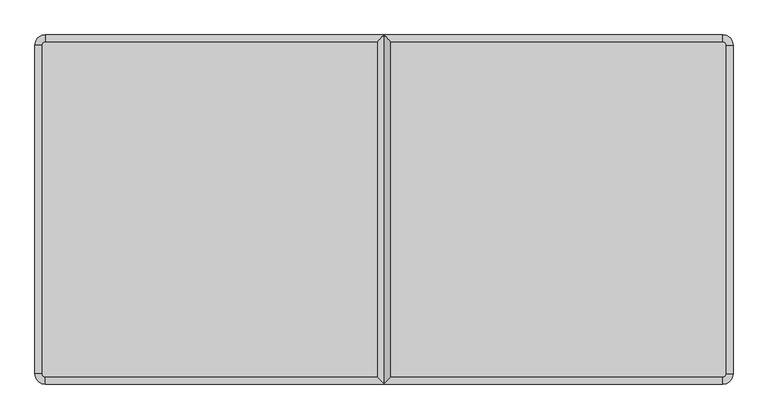
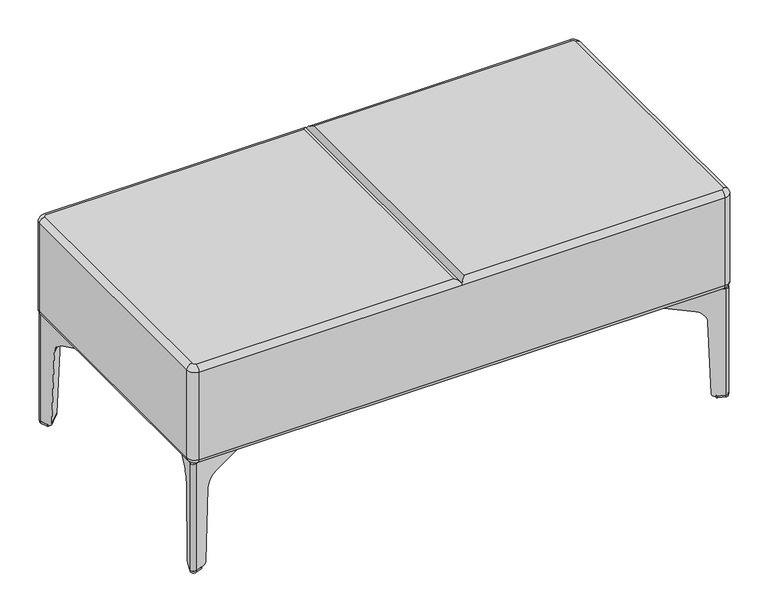
"""IFC4 building model written with IfcOpenShell, lengths in millimetres: furniture geometry."""

from ifc_helpers import new_model, si_unit, point, frame, frame_2d, origin, origin_with_axes, place, context, project, spatial, polyline, circle_curve, ellipse_curve, trimmed, segment, composite_curve, outline, extrude, source, transform, mapped, element, save
from ifc_brep_helpers import plane_surface, cylinder_surface, revolved_surface, advanced_brep


def furniture_e2cc7641(model_context):
    return source(origin(), model_context, "Body", "SolidModel", [
        extrude(outline(composite_curve([segment(trimmed(circle_curve(frame_2d((499.1606328, 141.6474047)), 2.0052989), [point((501.0451034, 140.9618435))], [point((497.7426723, 140.2294442))], False, "CARTESIAN"), True, "CONTINUOUS"), segment(polyline([(497.7426723, 140.2294442), (485.2256595, 152.746457)]), True, "CONTINUOUS"), segment(trimmed(circle_curve(frame_2d((486.6390732, 154.1598707)), 1.9988689), [point((485.2256595, 152.746457))], [point((485.9554787, 156.0382145))], False, "CARTESIAN"), True, "CONTINUOUS"), segment(polyline([(485.9554787, 156.0382145), (498.5811605, 160.6331383)]), True, "CONTINUOUS"), segment(trimmed(circle_curve(frame_2d((500.463369, 155.4613082)), 5.5036838), [point((498.5811605, 160.6331383))], [point((505.6354311, 153.5797375))], False, "CARTESIAN"), True, "CONTINUOUS"), segment(polyline([(505.6354311, 153.5797375), (501.0451034, 140.9618435)]), True, "CONTINUOUS")], self_intersect=False)), origin_with_axes(), (0.0, 0.0, 1.0), 3.9994646),
        advanced_brep(
        [(345.5633423, 105.4713683, 218.9993381), (343.7378691, 97.2373568, 218.9993381), (442.2415059, -1.26628, 218.9993381), (450.4755346, 0.5592401, 218.9993381), (484.470896, 93.9661094, 218.9993381), (484.470896, 134.468198, 218.9993381), (479.470896, 139.468198, 218.9993381), (438.9713365, 139.468198, 218.9993381), (450.4755346, 0.5592401, 204.9594882), (489.1986842, 106.956349, 175.5349617), (496.0266022, 125.7169804, 152.3759067), (497.9084862, 130.887712, 9.5682767), (500.084607, 136.8668993, 3.9994647), (506.10897, 153.4196543, 3.9994647), (506.10897, 153.4196543, 215.9993706), (484.470896, 93.9661094, 215.9993706), (498.4224767, 161.1060707, 3.9994647), (498.4224767, 161.1060707, 215.9993706), (345.5633423, 105.4713683, 204.9595012), (438.9713365, 139.468198, 215.9993706), (481.8699157, 155.0815906, 3.9994647), (475.8907781, 152.9054201, 9.5682767), (470.7200894, 151.0234931, 152.3759067), (451.959614, 144.1954192, 175.5349617), (343.7378691, 97.2373568, 206.9991584), (442.2415059, -1.26628, 206.9991584), (479.470896, 139.468198, 215.9993706), (484.470896, 134.468198, 215.9993706)],
        [
            (0, 1, circle_curve(frame((347.2734031, 100.7728907, 218.9993381), z_axis=(0.0, 0.0, 1.0), x_axis=(-1.0000000000000009, 0.0, 0.0)), 5.0)),
            (1, 2),
            (2, 3, circle_curve(frame((445.7770399, 2.2692539, 218.9993381), z_axis=(0.0, 0.0, 1.0), x_axis=(-1.0000000000000009, 0.0, 0.0)), 5.0)),
            (3, 4),
            (4, 5),
            (5, 6, circle_curve(frame((479.470896, 134.468198, 218.9993381), z_axis=(0.0, 0.0, 1.0), x_axis=(-1.0000000000000009, 0.0, 0.0)), 5.0)),
            (6, 7),
            (7, 0),
            (3, 8),
            (8, 9),
            (9, 10, ellipse_curve(frame((486.5983108, 99.8114702, 151.5034193), z_axis=(-0.9396989536617917, 0.3420027433909469, 0.0), x_axis=(-0.34200274339094694, -0.9396989536617917, 0.0)), 27.5846862, 25.0)),
            (10, 11),
            (11, 12, ellipse_curve(frame((500.084607, 136.8668993, 9.7696534), z_axis=(0.9396989536617917, -0.3420027433909469, 0.0), x_axis=(0.34200274339094694, 0.9396989536617917, 0.0)), 6.3667538, 5.7701887)),
            (12, 13),
            (13, 14),
            (14, 15),
            (15, 4),
            (13, 16, circle_curve(frame((500.4735427, 155.4706639, 3.9994647), z_axis=(0.0, 0.0, 1.0), x_axis=(-1.0000000000000009, 0.0, 0.0)), 5.997056)),
            (16, 17),
            (17, 14, circle_curve(frame((500.4735427, 155.4706639, 215.9993706), z_axis=(0.0, 0.0, -1.0), x_axis=(-1.0000000000000009, 0.0, 0.0)), 5.997056)),
            (18, 0),
            (7, 19),
            (19, 17),
            (16, 20),
            (20, 21, ellipse_curve(frame((481.8699157, 155.0815906, 9.7696534), z_axis=(-0.34201214943099856, 0.9396955302871183, 0.0), x_axis=(-0.9396955302871184, -0.3420121494309987, 0.0)), 6.3667241, 5.7701887)),
            (21, 22),
            (22, 23, ellipse_curve(frame((444.8147946, 141.5949865, 151.5034193), z_axis=(0.34201214943099856, -0.9396955302871183, 0.0), x_axis=(0.9396955302871184, 0.3420121494309987, 0.0)), 27.5845574, 25.0)),
            (23, 18),
            (18, 24, ellipse_curve(frame((347.2734031, 100.7728907, 205.5654315), z_axis=(0.1949050434465322, 0.19490504344653062, 0.9612616959383181), x_axis=(-0.6797146636928688, -0.6797146636928633, 0.27563735581700144)), 5.2014972, 5.0)),
            (24, 1),
            (24, 25),
            (25, 2),
            (25, 8, ellipse_curve(frame((445.7770399, 2.2692539, 205.5654315), z_axis=(0.1949050434465322, 0.19490504344653062, 0.9612616959383181), x_axis=(-0.6797146636928688, -0.6797146636928633, 0.27563735581700144)), 5.2014972, 5.0)),
            (20, 12),
            (11, 21),
            (10, 22),
            (9, 23),
            (26, 27, circle_curve(frame((479.470896, 134.468198, 215.9993706), z_axis=(0.0, 0.0, -1.0), x_axis=(-1.0000000000000009, 0.0, 0.0)), 5.0)),
            (27, 15),
            (19, 26),
            (27, 5),
            (6, 26),
        ],
        [
            plane_surface(frame((484.4709122, 93.9661537, 218.9993381), z_axis=(0.0, 0.0, 1.0), x_axis=(0.3420027433909469, 0.9396989536617917, 0.0))),
            plane_surface(frame((450.4755346, 0.5592401, 218.9993381), z_axis=(0.9396989536617917, -0.3420027433909469, 0.0), x_axis=(0.0, 0.0, -1.0))),
            cylinder_surface(frame((500.4735427, 155.4706639, 0.0), z_axis=(0.0, 0.0, 1.0), x_axis=(-1.0000000000000009, 0.0, 0.0)), 5.997056),
            plane_surface(frame((498.4224767, 161.1060707, 218.9993381), z_axis=(-0.34201214943099856, 0.9396955302871183, 0.0), x_axis=(0.0, 0.0, -1.0))),
            cylinder_surface(frame((347.2734031, 100.7728907, 0.0), z_axis=(0.0, 0.0, 1.0), x_axis=(-1.0000000000000009, 0.0, 0.0)), 5.0),
            plane_surface(frame((343.7378691, 97.2373568, 218.9993381), z_axis=(-0.7071067811865516, -0.7071067811865435, 0.0), x_axis=(0.0, 0.0, -1.0))),
            cylinder_surface(frame((445.7770399, 2.2692539, 0.0), z_axis=(0.0, 0.0, 1.0), x_axis=(-1.0000000000000009, 0.0, 0.0)), 5.0),
            cylinder_surface(frame((434.4072107, 202.5442957, 9.7696534), z_axis=(-0.7071067811865454, 0.7071067811865512, 0.0), x_axis=(-0.7071067811865512, -0.7071067811865454, 0.0)), 5.7701887),
            plane_surface(frame((543.4666416, 85.3295566, 9.5682767), z_axis=(-0.7066760308408374, -0.7066760308408315, -0.034899496702499415), x_axis=(-0.7071067811865446, 0.7071067811865505, 0.0))),
            revolved_surface(polyline([(477.16427247196134, 73.89016946871054, 151.5034193), (418.8937092572104, 132.16073268346196, 151.5034193)]), (409.136348, 177.273433, 151.5034193), (0.7071067811865454, -0.7071067811865512, 0.0)),
            plane_surface(frame((527.1460591, 69.0089741, 175.5349617), z_axis=(-0.19490504344653226, -0.19490504344653067, -0.9612616959383183), x_axis=(-0.7071067811865447, 0.7071067811865505, 0.0))),
            plane_surface(frame((562.6925375, 104.5554525, 3.9994647), z_axis=(0.0, 0.0, -1.0), x_axis=(-0.7071067811865446, 0.7071067811865505, 0.0))),
            plane_surface(frame((484.470896, 93.9661094, 215.9993706), z_axis=(0.0, 0.0, 1.0), x_axis=(0.0, 1.0, 0.0))),
            plane_surface(frame((484.470896, 134.468198, 218.9993381), z_axis=(1.0, 0.0, 0.0), x_axis=(0.0, 0.0, -1.0))),
            plane_surface(frame((434.470896, 139.468198, 218.9993381), z_axis=(0.0, 1.0, 0.0), x_axis=(0.0, 0.0, -1.0))),
            cylinder_surface(frame((479.470896, 134.468198, 215.9993706), z_axis=(0.0, 0.0, -1.0), x_axis=(-1.0000000000000009, 0.0, 0.0)), 5.0),
        ],
        [
            (0, [[1, 2, 3, 4, 5, 6, 7, 8]]),
            (1, [[9, 10, 11, 12, 13, 14, 15, 16, 17, -4]]),
            (2, [[18, 19, 20, -15]]),
            (3, [[21, -8, 22, 23, -19, 24, 25, 26, 27, 28]]),
            (4, [[-1, -21, 29, 30]]),
            (5, [[-2, -30, 31, 32]]),
            (6, [[-3, -32, 33, -9]]),
            (7, [[34, -13, 35, -25]]),
            (8, [[-35, -12, 36, -26]]),
            (9, [[-36, -11, 37, -27]]),
            (10, [[-37, -10, -33, -31, -29, -28]]),
            (11, [[-34, -24, -18, -14]]),
            (12, [[38, 39, -16, -20, -23, 40]]),
            (13, [[41, -5, -17, -39]]),
            (14, [[42, -40, -22, -7]]),
            (15, [[-38, -42, -6, -41]]),
        ],
    ),
        extrude(outline(composite_curve([segment(trimmed(circle_curve(frame_2d((486.6474047, -334.1606328)), 2.0052989), [point((485.9618435, -336.0451034))], [point((485.2294442, -332.7426723))], False, "CARTESIAN"), True, "CONTINUOUS"), segment(polyline([(485.2294442, -332.7426723), (497.746457, -320.2256595)]), True, "CONTINUOUS"), segment(trimmed(circle_curve(frame_2d((499.1598707, -321.6390732)), 1.9988689), [point((497.746457, -320.2256595))], [point((501.0382145, -320.9554787))], False, "CARTESIAN"), True, "CONTINUOUS"), segment(polyline([(501.0382145, -320.9554787), (505.6331383, -333.5811605)]), True, "CONTINUOUS"), segment(trimmed(circle_curve(frame_2d((500.4613082, -335.463369)), 5.5036838), [point((505.6331383, -333.5811605))], [point((498.5797375, -340.6354311))], False, "CARTESIAN"), True, "CONTINUOUS"), segment(polyline([(498.5797375, -340.6354311), (485.9618435, -336.0451034)]), True, "CONTINUOUS")], self_intersect=False)), origin_with_axes(), (0.0, 0.0, 1.0), 3.9994646),
        advanced_brep(
        [(450.4713683, -180.5633423, 218.9993381), (442.2373568, -178.7378691, 218.9993381), (343.73372, -277.2415059, 218.9993381), (345.5592401, -285.4755346, 218.9993381), (438.9661094, -319.470896, 218.9993381), (479.468198, -319.470896, 218.9993381), (484.468198, -314.470896, 218.9993381), (484.468198, -273.9713365, 218.9993381), (345.5592401, -285.4755346, 204.9594882), (451.956349, -324.1986842, 175.5349617), (470.7169804, -331.0266022, 152.3759067), (475.887712, -332.9084862, 9.5682767), (481.8668993, -335.084607, 3.9994647), (498.4196543, -341.10897, 3.9994647), (498.4196543, -341.10897, 215.9993706), (438.9661094, -319.470896, 215.9993706), (506.1060707, -333.4224767, 3.9994647), (506.1060707, -333.4224767, 215.9993706), (450.4713683, -180.5633423, 204.9595012), (484.468198, -273.9713365, 215.9993706), (500.0815906, -316.8699157, 3.9994647), (497.9054201, -310.8907781, 9.5682767), (496.0234931, -305.7200894, 152.3759067), (489.1954192, -286.959614, 175.5349617), (442.2373568, -178.7378691, 206.9991584), (343.73372, -277.2415059, 206.9991584), (484.468198, -314.470896, 215.9993706), (479.468198, -319.470896, 215.9993706)],
        [
            (0, 1, circle_curve(frame((445.7728907, -182.2734031, 218.9993381), z_axis=(0.0, 0.0, 1.0), x_axis=(0.0, 1.0000000000000002, 0.0)), 5.0)),
            (1, 2),
            (2, 3, circle_curve(frame((347.2692539, -280.7770399, 218.9993381), z_axis=(0.0, 0.0, 1.0), x_axis=(0.0, 1.0000000000000002, 0.0)), 5.0)),
            (3, 4),
            (4, 5),
            (5, 6, circle_curve(frame((479.468198, -314.470896, 218.9993381), z_axis=(0.0, 0.0, 1.0), x_axis=(0.0, 1.0000000000000002, 0.0)), 5.0)),
            (6, 7),
            (7, 0),
            (3, 8),
            (8, 9),
            (9, 10, ellipse_curve(frame((444.8114702, -321.5983108, 151.5034193), z_axis=(0.34200274339094533, 0.9396989536617922, 0.0), x_axis=(-0.9396989536617923, 0.3420027433909454, 0.0)), 27.5846862, 25.0)),
            (10, 11),
            (11, 12, ellipse_curve(frame((481.8668993, -335.084607, 9.7696534), z_axis=(-0.34200274339094533, -0.9396989536617922, 0.0), x_axis=(0.9396989536617923, -0.3420027433909454, 0.0)), 6.3667538, 5.7701887)),
            (12, 13),
            (13, 14),
            (14, 15),
            (15, 4),
            (13, 16, circle_curve(frame((500.4706639, -335.4735427, 3.9994647), z_axis=(0.0, 0.0, 1.0), x_axis=(0.0, 1.0000000000000002, 0.0)), 5.997056)),
            (16, 17),
            (17, 14, circle_curve(frame((500.4706639, -335.4735427, 215.9993706), z_axis=(0.0, 0.0, -1.0), x_axis=(0.0, 1.0000000000000002, 0.0)), 5.997056)),
            (18, 0),
            (7, 19),
            (19, 17),
            (16, 20),
            (20, 21, ellipse_curve(frame((500.0815906, -316.8699157, 9.7696534), z_axis=(0.9396955302871177, 0.3420121494310001, 0.0), x_axis=(-0.3420121494310004, 0.9396955302871177, 0.0)), 6.3667241, 5.7701887)),
            (21, 22),
            (22, 23, ellipse_curve(frame((486.5949865, -279.8147946, 151.5034193), z_axis=(-0.9396955302871177, -0.3420121494310001, 0.0), x_axis=(0.3420121494310004, -0.9396955302871177, 0.0)), 27.5845574, 25.0)),
            (23, 18),
            (18, 24, ellipse_curve(frame((445.7728907, -182.2734031, 205.5654315), z_axis=(0.1949050434465311, -0.194905043446532, 0.9612616959383181), x_axis=(-0.6797146636928643, 0.6797146636928675, 0.2756373558170012)), 5.2014972, 5.0)),
            (24, 1),
            (24, 25),
            (25, 2),
            (25, 8, ellipse_curve(frame((347.2692539, -280.7770399, 205.5654315), z_axis=(0.1949050434465311, -0.194905043446532, 0.9612616959383181), x_axis=(-0.6797146636928643, 0.6797146636928675, 0.2756373558170012)), 5.2014972, 5.0)),
            (20, 12),
            (11, 21),
            (10, 22),
            (9, 23),
            (26, 27, circle_curve(frame((479.468198, -314.470896, 215.9993706), z_axis=(0.0, 0.0, -1.0), x_axis=(0.0, 1.0000000000000002, 0.0)), 5.0)),
            (27, 15),
            (19, 26),
            (27, 5),
            (6, 26),
        ],
        [
            plane_surface(frame((438.9661537, -319.4709122, 218.9993381), z_axis=(0.0, 0.0, 1.0), x_axis=(0.9396989536617922, -0.34200274339094533, 0.0))),
            plane_surface(frame((345.5592401, -285.4755346, 218.9993381), z_axis=(-0.34200274339094533, -0.9396989536617922, 0.0), x_axis=(0.0, 0.0, -1.0))),
            cylinder_surface(frame((500.4706639, -335.4735427, 0.0), z_axis=(0.0, 0.0, 1.0), x_axis=(0.0, 1.0000000000000002, 0.0)), 5.997056),
            plane_surface(frame((506.1060707, -333.4224767, 218.9993381), z_axis=(0.9396955302871177, 0.3420121494310001, 0.0), x_axis=(0.0, 0.0, -1.0))),
            cylinder_surface(frame((445.7728907, -182.2734031, 0.0), z_axis=(0.0, 0.0, 1.0), x_axis=(0.0, 1.0000000000000002, 0.0)), 5.0),
            plane_surface(frame((442.2373568, -178.7378691, 218.9993381), z_axis=(-0.7071067811865448, 0.7071067811865505, 0.0), x_axis=(0.0, 0.0, -1.0))),
            cylinder_surface(frame((347.2692539, -280.7770399, 0.0), z_axis=(0.0, 0.0, 1.0), x_axis=(0.0, 1.0000000000000002, 0.0)), 5.0),
            cylinder_surface(frame((547.5442957, -269.4072107, 9.7696534), z_axis=(0.7071067811865495, 0.707106781186546, 0.0), x_axis=(-0.707106781186546, 0.7071067811865495, 0.0)), 5.7701887),
            plane_surface(frame((430.3295566, -378.4666416, 9.5682767), z_axis=(-0.7066760308408329, 0.7066760308408363, -0.034899496702499394), x_axis=(0.7071067811865493, 0.7071067811865459, 0.0))),
            revolved_surface(polyline([(418.8901694687107, -312.1642724719614, 151.5034193), (477.160732683462, -253.89370925721042, 151.5034193)]), (522.273433, -244.136348, 151.5034193), (-0.7071067811865495, -0.707106781186546, 0.0)),
            plane_surface(frame((414.0089741, -362.1460591, 175.5349617), z_axis=(-0.1949050434465311, 0.194905043446532, -0.9612616959383181), x_axis=(0.7071067811865492, 0.7071067811865459, 0.0))),
            plane_surface(frame((449.5554525, -397.6925375, 3.9994647), z_axis=(0.0, 0.0, -1.0000000000000002), x_axis=(0.7071067811865493, 0.7071067811865459, 0.0))),
            plane_surface(frame((438.9661094, -319.470896, 215.9993706), z_axis=(0.0, 0.0, 1.0), x_axis=(1.0, 0.0, 0.0))),
            plane_surface(frame((479.468198, -319.470896, 218.9993381), z_axis=(0.0, -1.0, 0.0), x_axis=(0.0, 0.0, -1.0))),
            plane_surface(frame((484.468198, -269.470896, 218.9993381), z_axis=(1.0, 0.0, 0.0), x_axis=(0.0, 0.0, -1.0))),
            cylinder_surface(frame((479.468198, -314.470896, 215.9993706), z_axis=(0.0, 0.0, -1.0), x_axis=(0.0, 1.0000000000000002, 0.0)), 5.0),
        ],
        [
            (0, [[1, 2, 3, 4, 5, 6, 7, 8]]),
            (1, [[9, 10, 11, 12, 13, 14, 15, 16, 17, -4]]),
            (2, [[18, 19, 20, -15]]),
            (3, [[21, -8, 22, 23, -19, 24, 25, 26, 27, 28]]),
            (4, [[-1, -21, 29, 30]]),
            (5, [[-2, -30, 31, 32]]),
            (6, [[-3, -32, 33, -9]]),
            (7, [[34, -13, 35, -25]]),
            (8, [[-35, -12, 36, -26]]),
            (9, [[-36, -11, 37, -27]]),
            (10, [[-37, -10, -33, -31, -29, -28]]),
            (11, [[-34, -24, -18, -14]]),
            (12, [[38, 39, -16, -20, -23, 40]]),
            (13, [[41, -5, -17, -39]]),
            (14, [[42, -40, -22, -7]]),
            (15, [[-38, -42, -6, -41]]),
        ],
    ),
        extrude(outline(composite_curve([segment(polyline([(-501.0451034, 140.9618435), (-505.6354311, 153.5797375)]), True, "CONTINUOUS"), segment(trimmed(circle_curve(frame_2d((-500.463369, 155.4613082)), 5.5036838), [point((-505.6354311, 153.5797375))], [point((-498.5811605, 160.6331383))], False, "CARTESIAN"), True, "CONTINUOUS"), segment(polyline([(-498.5811605, 160.6331383), (-485.9554787, 156.0382145)]), True, "CONTINUOUS"), segment(trimmed(circle_curve(frame_2d((-486.6390732, 154.1598707)), 1.9988689), [point((-485.9554787, 156.0382145))], [point((-485.2256595, 152.746457))], False, "CARTESIAN"), True, "CONTINUOUS"), segment(polyline([(-485.2256595, 152.746457), (-497.7426723, 140.2294442)]), True, "CONTINUOUS"), segment(trimmed(circle_curve(frame_2d((-499.1606328, 141.6474047)), 2.0052989), [point((-497.7426723, 140.2294442))], [point((-501.0451034, 140.9618435))], False, "CARTESIAN"), True, "CONTINUOUS")], self_intersect=False)), origin_with_axes(), (0.0, 0.0, 1.0), 3.9994646),
        advanced_brep(
        [(-345.5633423, 105.4713683, 218.9993381), (-438.9713365, 139.468198, 218.9993381), (-479.470896, 139.468198, 218.9993381), (-484.470896, 134.468198, 218.9993381), (-484.470896, 93.9661094, 218.9993381), (-450.4755346, 0.5592401, 218.9993381), (-442.2415059, -1.26628, 218.9993381), (-343.7378691, 97.2373568, 218.9993381), (-484.470896, 93.9661094, 215.9993706), (-506.10897, 153.4196543, 215.9993706), (-506.10897, 153.4196543, 3.9994647), (-500.084607, 136.8668993, 3.9994647), (-497.9084862, 130.887712, 9.5682767), (-496.0266022, 125.7169804, 152.3759067), (-489.1986842, 106.956349, 175.5349617), (-450.4755346, 0.5592401, 204.9594882), (-498.4224767, 161.1060707, 215.9993706), (-498.4224767, 161.1060707, 3.9994647), (-345.5633423, 105.4713683, 204.9595012), (-451.959614, 144.1954192, 175.5349617), (-470.7200894, 151.0234931, 152.3759067), (-475.8907781, 152.9054201, 9.5682767), (-481.8699157, 155.0815906, 3.9994647), (-438.9713365, 139.468198, 215.9993706), (-343.7378691, 97.2373568, 206.9991584), (-442.2415059, -1.26628, 206.9991584), (-479.470896, 139.468198, 215.9993706), (-484.470896, 134.468198, 215.9993706)],
        [
            (0, 1),
            (1, 2),
            (2, 3, circle_curve(frame((-479.470896, 134.468198, 218.9993381), z_axis=(0.0, 0.0, 1.0), x_axis=(1.0, 0.0, 0.0)), 5.0)),
            (3, 4),
            (4, 5),
            (5, 6, circle_curve(frame((-445.7770399, 2.2692539, 218.9993381), z_axis=(0.0, 0.0, 1.0), x_axis=(1.0, 0.0, 0.0)), 5.0)),
            (6, 7),
            (7, 0, circle_curve(frame((-347.2734031, 100.7728907, 218.9993381), z_axis=(0.0, 0.0, 1.0), x_axis=(1.0, 0.0, 0.0)), 5.0)),
            (4, 8),
            (8, 9),
            (9, 10),
            (10, 11),
            (11, 12, ellipse_curve(frame((-500.084607, 136.8668993, 9.7696534), z_axis=(-0.9396989536617928, -0.34200274339094383, 0.0), x_axis=(-0.34200274339094405, 0.9396989536617928, 0.0)), 6.3667538, 5.7701887)),
            (12, 13),
            (13, 14, ellipse_curve(frame((-486.5983108, 99.8114702, 151.5034193), z_axis=(0.9396989536617928, 0.34200274339094383, 0.0), x_axis=(0.34200274339094405, -0.9396989536617928, 0.0)), 27.5846862, 25.0)),
            (14, 15),
            (15, 5),
            (9, 16, circle_curve(frame((-500.4735427, 155.4706639, 215.9993706), z_axis=(0.0, 0.0, -1.0), x_axis=(1.0, 0.0, 0.0)), 5.997056)),
            (16, 17),
            (17, 10, circle_curve(frame((-500.4735427, 155.4706639, 3.9994647), z_axis=(0.0, 0.0, 1.0), x_axis=(1.0, 0.0, 0.0)), 5.997056)),
            (18, 19),
            (19, 20, ellipse_curve(frame((-444.8147946, 141.5949865, 151.5034193), z_axis=(-0.3420121494310016, -0.9396955302871172, 0.0), x_axis=(-0.939695530287117, 0.3420121494310017, 0.0)), 27.5845574, 25.0)),
            (20, 21),
            (21, 22, ellipse_curve(frame((-481.8699157, 155.0815906, 9.7696534), z_axis=(0.3420121494310016, 0.9396955302871172, 0.0), x_axis=(0.939695530287117, -0.3420121494310017, 0.0)), 6.3667241, 5.7701887)),
            (22, 17),
            (16, 23),
            (23, 1),
            (0, 18),
            (7, 24),
            (24, 18, ellipse_curve(frame((-347.2734031, 100.7728907, 205.5654315), z_axis=(-0.19490504344653167, 0.19490504344653137, 0.961261695938318), x_axis=(0.6797146636928663, -0.6797146636928652, 0.275637355817002)), 5.2014972, 5.0)),
            (6, 25),
            (25, 24),
            (15, 25, ellipse_curve(frame((-445.7770399, 2.2692539, 205.5654315), z_axis=(-0.19490504344653167, 0.19490504344653137, 0.961261695938318), x_axis=(0.6797146636928663, -0.6797146636928652, 0.275637355817002)), 5.2014972, 5.0)),
            (21, 12),
            (11, 22),
            (20, 13),
            (19, 14),
            (26, 23),
            (8, 27),
            (27, 26, circle_curve(frame((-479.470896, 134.468198, 215.9993706), z_axis=(0.0, 0.0, -1.0), x_axis=(1.0, 0.0, 0.0)), 5.0)),
            (3, 27),
            (26, 2),
        ],
        [
            plane_surface(frame((-484.4709122, 93.9661537, 218.9993381), z_axis=(0.0, 0.0, 1.0), x_axis=(-0.34200274339094383, 0.9396989536617928, 0.0))),
            plane_surface(frame((-450.4755346, 0.5592401, 218.9993381), z_axis=(-0.9396989536617928, -0.34200274339094383, 0.0), x_axis=(0.0, 0.0, -1.0))),
            cylinder_surface(frame((-500.4735427, 155.4706639, 0.0), z_axis=(0.0, 0.0, 1.0), x_axis=(1.0, 0.0, 0.0)), 5.997056),
            plane_surface(frame((-498.4224767, 161.1060707, 218.9993381), z_axis=(0.3420121494310016, 0.9396955302871172, 0.0), x_axis=(0.0, 0.0, -1.0))),
            cylinder_surface(frame((-347.2734031, 100.7728907, 0.0), z_axis=(0.0, 0.0, 1.0), x_axis=(1.0, 0.0, 0.0)), 5.0),
            plane_surface(frame((-343.7378691, 97.2373568, 218.9993381), z_axis=(0.7071067811865492, -0.7071067811865458, 0.0), x_axis=(0.0, 0.0, -1.0))),
            cylinder_surface(frame((-445.7770399, 2.2692539, 0.0), z_axis=(0.0, 0.0, 1.0), x_axis=(1.0, 0.0, 0.0)), 5.0),
            cylinder_surface(frame((-434.4072107, 202.5442957, 9.7696534), z_axis=(0.707106781186547, 0.7071067811865482, 0.0), x_axis=(0.7071067811865482, -0.707106781186547, 0.0)), 5.7701887),
            plane_surface(frame((-543.4666416, 85.3295566, 9.5682767), z_axis=(0.7066760308408351, -0.7066760308408339, -0.03489949670249939), x_axis=(0.7071067811865469, 0.7071067811865481, 0.0))),
            revolved_surface(polyline([(-477.16427247196157, 73.89016946871095, 151.5034193), (-418.8937092572105, 132.16073268346207, 151.5034193)]), (-409.136348, 177.273433, 151.5034193), (-0.707106781186547, -0.7071067811865482, 0.0)),
            plane_surface(frame((-527.1460591, 69.0089741, 175.5349617), z_axis=(0.19490504344653173, -0.19490504344653142, -0.9612616959383182), x_axis=(0.707106781186547, 0.7071067811865481, 0.0))),
            plane_surface(frame((-562.6925375, 104.5554525, 3.9994647), z_axis=(0.0, 0.0, -1.0), x_axis=(0.7071067811865469, 0.7071067811865481, 0.0))),
            plane_surface(frame((-484.470896, 93.9661094, 215.9993706), z_axis=(0.0, 0.0, 1.0), x_axis=(0.0, 1.0, 0.0))),
            plane_surface(frame((-484.470896, 134.468198, 218.9993381), z_axis=(-1.0, 0.0, 0.0), x_axis=(0.0, 0.0, -1.0))),
            plane_surface(frame((-434.470896, 139.468198, 218.9993381), z_axis=(0.0, 1.0, 0.0), x_axis=(0.0, 0.0, -1.0))),
            cylinder_surface(frame((-479.470896, 134.468198, 215.9993706), z_axis=(0.0, 0.0, -1.0), x_axis=(1.0, 0.0, 0.0)), 5.0),
        ],
        [
            (0, [[1, 2, 3, 4, 5, 6, 7, 8]]),
            (1, [[-5, 9, 10, 11, 12, 13, 14, 15, 16, 17]]),
            (2, [[-11, 18, 19, 20]]),
            (3, [[21, 22, 23, 24, 25, -19, 26, 27, -1, 28]]),
            (4, [[29, 30, -28, -8]]),
            (5, [[31, 32, -29, -7]]),
            (6, [[-17, 33, -31, -6]]),
            (7, [[-24, 34, -13, 35]]),
            (8, [[-23, 36, -14, -34]]),
            (9, [[-22, 37, -15, -36]]),
            (10, [[-21, -30, -32, -33, -16, -37]]),
            (11, [[-12, -20, -25, -35]]),
            (12, [[38, -26, -18, -10, 39, 40]]),
            (13, [[-39, -9, -4, 41]]),
            (14, [[-2, -27, -38, 42]]),
            (15, [[-41, -3, -42, -40]]),
        ],
    ),
        extrude(outline(composite_curve([segment(trimmed(circle_curve(frame_2d((-499.1606328, -321.6474047)), 2.0052989), [point((-501.0451034, -320.9618435))], [point((-497.7426723, -320.2294442))], False, "CARTESIAN"), True, "CONTINUOUS"), segment(polyline([(-497.7426723, -320.2294442), (-485.2256595, -332.746457)]), True, "CONTINUOUS"), segment(trimmed(circle_curve(frame_2d((-486.6390732, -334.1598707)), 1.9988689), [point((-485.2256595, -332.746457))], [point((-485.9554787, -336.0382145))], False, "CARTESIAN"), True, "CONTINUOUS"), segment(polyline([(-485.9554787, -336.0382145), (-498.5811605, -340.6331383)]), True, "CONTINUOUS"), segment(trimmed(circle_curve(frame_2d((-500.463369, -335.4613082)), 5.5036838), [point((-498.5811605, -340.6331383))], [point((-505.6354311, -333.5797375))], False, "CARTESIAN"), True, "CONTINUOUS"), segment(polyline([(-505.6354311, -333.5797375), (-501.0451034, -320.9618435)]), True, "CONTINUOUS")], self_intersect=False)), origin_with_axes(), (0.0, 0.0, 1.0), 3.9994646),
        advanced_brep(
        [(-345.5633423, -285.4713683, 218.9993381), (-343.7378691, -277.2373568, 218.9993381), (-442.2415059, -178.73372, 218.9993381), (-450.4755346, -180.5592401, 218.9993381), (-484.470896, -273.9661094, 218.9993381), (-484.470896, -314.468198, 218.9993381), (-479.470896, -319.468198, 218.9993381), (-438.9713365, -319.468198, 218.9993381), (-450.4755346, -180.5592401, 204.9594882), (-489.1986842, -286.956349, 175.5349617), (-496.0266022, -305.7169804, 152.3759067), (-497.9084862, -310.887712, 9.5682767), (-500.084607, -316.8668993, 3.9994647), (-506.10897, -333.4196543, 3.9994647), (-506.10897, -333.4196543, 215.9993706), (-484.470896, -273.9661094, 215.9993706), (-498.4224767, -341.1060707, 3.9994647), (-498.4224767, -341.1060707, 215.9993706), (-345.5633423, -285.4713683, 204.9595012), (-438.9713365, -319.468198, 215.9993706), (-481.8699157, -335.0815906, 3.9994647), (-475.8907781, -332.9054201, 9.5682767), (-470.7200894, -331.0234931, 152.3759067), (-451.959614, -324.1954192, 175.5349617), (-343.7378691, -277.2373568, 206.9991584), (-442.2415059, -178.73372, 206.9991584), (-479.470896, -319.468198, 215.9993706), (-484.470896, -314.468198, 215.9993706)],
        [
            (0, 1, circle_curve(frame((-347.2734031, -280.7728907, 218.9993381), z_axis=(0.0, 0.0, 1.0), x_axis=(1.0, 0.0, 0.0)), 5.0)),
            (1, 2),
            (2, 3, circle_curve(frame((-445.7770399, -182.2692539, 218.9993381), z_axis=(0.0, 0.0, 1.0), x_axis=(1.0, 0.0, 0.0)), 5.0)),
            (3, 4),
            (4, 5),
            (5, 6, circle_curve(frame((-479.470896, -314.468198, 218.9993381), z_axis=(0.0, 0.0, 1.0), x_axis=(1.0, 0.0, 0.0)), 5.0)),
            (6, 7),
            (7, 0),
            (3, 8),
            (8, 9),
            (9, 10, ellipse_curve(frame((-486.5983108, -279.8114702, 151.5034193), z_axis=(0.9396989536617928, -0.34200274339094383, 0.0), x_axis=(0.34200274339094405, 0.9396989536617928, 0.0)), 27.5846862, 25.0)),
            (10, 11),
            (11, 12, ellipse_curve(frame((-500.084607, -316.8668993, 9.7696534), z_axis=(-0.9396989536617928, 0.34200274339094383, 0.0), x_axis=(-0.34200274339094405, -0.9396989536617928, 0.0)), 6.3667538, 5.7701887)),
            (12, 13),
            (13, 14),
            (14, 15),
            (15, 4),
            (13, 16, circle_curve(frame((-500.4735427, -335.4706639, 3.9994647), z_axis=(0.0, 0.0, 1.0), x_axis=(1.0, 0.0, 0.0)), 5.997056)),
            (16, 17),
            (17, 14, circle_curve(frame((-500.4735427, -335.4706639, 215.9993706), z_axis=(0.0, 0.0, -1.0), x_axis=(1.0, 0.0, 0.0)), 5.997056)),
            (18, 0),
            (7, 19),
            (19, 17),
            (16, 20),
            (20, 21, ellipse_curve(frame((-481.8699157, -335.0815906, 9.7696534), z_axis=(0.3420121494310016, -0.9396955302871172, 0.0), x_axis=(0.939695530287117, 0.3420121494310017, 0.0)), 6.3667241, 5.7701887)),
            (21, 22),
            (22, 23, ellipse_curve(frame((-444.8147946, -321.5949865, 151.5034193), z_axis=(-0.3420121494310016, 0.9396955302871172, 0.0), x_axis=(-0.939695530287117, -0.3420121494310017, 0.0)), 27.5845574, 25.0)),
            (23, 18),
            (18, 24, ellipse_curve(frame((-347.2734031, -280.7728907, 205.5654315), z_axis=(-0.19490504344653167, -0.19490504344653137, 0.961261695938318), x_axis=(0.6797146636928663, 0.6797146636928652, 0.275637355817002)), 5.2014972, 5.0)),
            (24, 1),
            (24, 25),
            (25, 2),
            (25, 8, ellipse_curve(frame((-445.7770399, -182.2692539, 205.5654315), z_axis=(-0.19490504344653167, -0.19490504344653137, 0.961261695938318), x_axis=(0.6797146636928663, 0.6797146636928652, 0.275637355817002)), 5.2014972, 5.0)),
            (20, 12),
            (11, 21),
            (10, 22),
            (9, 23),
            (26, 27, circle_curve(frame((-479.470896, -314.468198, 215.9993706), z_axis=(0.0, 0.0, -1.0), x_axis=(1.0, 0.0, 0.0)), 5.0)),
            (27, 15),
            (19, 26),
            (27, 5),
            (6, 26),
        ],
        [
            plane_surface(frame((-484.4709122, -273.9661537, 218.9993381), z_axis=(0.0, 0.0, 1.0), x_axis=(-0.34200274339094383, -0.9396989536617928, 0.0))),
            plane_surface(frame((-450.4755346, -180.5592401, 218.9993381), z_axis=(-0.9396989536617928, 0.34200274339094383, 0.0), x_axis=(0.0, 0.0, -1.0))),
            cylinder_surface(frame((-500.4735427, -335.4706639, 0.0), z_axis=(0.0, 0.0, 1.0), x_axis=(1.0, 0.0, 0.0)), 5.997056),
            plane_surface(frame((-498.4224767, -341.1060707, 218.9993381), z_axis=(0.3420121494310016, -0.9396955302871172, 0.0), x_axis=(0.0, 0.0, -1.0))),
            cylinder_surface(frame((-347.2734031, -280.7728907, 0.0), z_axis=(0.0, 0.0, 1.0), x_axis=(1.0, 0.0, 0.0)), 5.0),
            plane_surface(frame((-343.7378691, -277.2373568, 218.9993381), z_axis=(0.7071067811865492, 0.7071067811865458, 0.0), x_axis=(0.0, 0.0, -1.0))),
            cylinder_surface(frame((-445.7770399, -182.2692539, 0.0), z_axis=(0.0, 0.0, 1.0), x_axis=(1.0, 0.0, 0.0)), 5.0),
            cylinder_surface(frame((-434.4072107, -382.5442957, 9.7696534), z_axis=(0.707106781186547, -0.7071067811865482, 0.0), x_axis=(0.7071067811865482, 0.707106781186547, 0.0)), 5.7701887),
            plane_surface(frame((-543.4666416, -265.3295566, 9.5682767), z_axis=(0.7066760308408351, 0.7066760308408339, -0.03489949670249939), x_axis=(0.7071067811865469, -0.7071067811865481, 0.0))),
            revolved_surface(polyline([(-477.16427247196157, -253.89016946871095, 151.5034193), (-418.8937092572105, -312.1607326834621, 151.5034193)]), (-409.136348, -357.273433, 151.5034193), (-0.707106781186547, 0.7071067811865482, 0.0)),
            plane_surface(frame((-527.1460591, -249.0089741, 175.5349617), z_axis=(0.19490504344653173, 0.19490504344653142, -0.9612616959383182), x_axis=(0.707106781186547, -0.7071067811865481, 0.0))),
            plane_surface(frame((-562.6925375, -284.5554525, 3.9994647), z_axis=(0.0, 0.0, -1.0), x_axis=(0.7071067811865469, -0.7071067811865481, 0.0))),
            plane_surface(frame((-484.470896, -273.9661094, 215.9993706), z_axis=(0.0, 0.0, 1.0), x_axis=(0.0, -1.0, 0.0))),
            plane_surface(frame((-484.470896, -314.468198, 218.9993381), z_axis=(-1.0, 0.0, 0.0), x_axis=(0.0, 0.0, -1.0))),
            plane_surface(frame((-434.470896, -319.468198, 218.9993381), z_axis=(0.0, -1.0, 0.0), x_axis=(0.0, 0.0, -1.0))),
            cylinder_surface(frame((-479.470896, -314.468198, 215.9993706), z_axis=(0.0, 0.0, -1.0), x_axis=(1.0, 0.0, 0.0)), 5.0),
        ],
        [
            (0, [[1, 2, 3, 4, 5, 6, 7, 8]]),
            (1, [[9, 10, 11, 12, 13, 14, 15, 16, 17, -4]]),
            (2, [[18, 19, 20, -15]]),
            (3, [[21, -8, 22, 23, -19, 24, 25, 26, 27, 28]]),
            (4, [[-1, -21, 29, 30]]),
            (5, [[-2, -30, 31, 32]]),
            (6, [[-3, -32, 33, -9]]),
            (7, [[34, -13, 35, -25]]),
            (8, [[-35, -12, 36, -26]]),
            (9, [[-36, -11, 37, -27]]),
            (10, [[-37, -10, -33, -31, -29, -28]]),
            (11, [[-34, -24, -18, -14]]),
            (12, [[38, 39, -16, -20, -23, 40]]),
            (13, [[41, -5, -17, -39]]),
            (14, [[42, -40, -22, -7]]),
            (15, [[-38, -42, -6, -41]]),
        ],
    ),
        advanced_brep(
        [(510.0, 150.0, 225.9993706), (495.0, 165.0, 225.9993706), (495.0, 165.0, 400.0), (510.0, 150.0, 400.0), (495.0, 155.0, 410.0), (500.0, 150.0, 410.0), (510.0, -330.0, 400.0), (510.0, -330.0, 225.9993706), (500.0, -330.0, 410.0), (495.0, -345.0, 400.0), (495.0, -345.0, 225.9993706), (495.0, -335.0, 410.0), (0.0, -345.0, 400.0), (-495.0, -345.0, 400.0), (-495.0, -345.0, 225.9993706), (10.0, -335.0, 410.0), (-495.0, -335.0, 410.0), (-10.0, -335.0, 410.0), (-510.0, -330.0, 400.0), (-510.0, -330.0, 225.9993706), (-500.0, -330.0, 410.0), (-510.0, 150.0, 400.0), (-510.0, 150.0, 225.9993706), (-500.0, 150.0, 410.0), (-495.0, 165.0, 400.0), (-495.0, 165.0, 225.9993706), (-495.0, 155.0, 410.0), (0.0, 165.0, 400.0), (10.0, 155.0, 410.0), (-10.0, 155.0, 410.0), (495.0, 155.0, 215.9993706), (500.0, 150.0, 215.9993706), (500.0, -330.0, 215.9993706), (495.0, -335.0, 215.9993706), (-495.0, -335.0, 215.9993706), (-500.0, -330.0, 215.9993706), (-500.0, 150.0, 215.9993706), (-495.0, 155.0, 215.9993706)],
        [
            (0, 1, circle_curve(frame((495.0, 150.0, 225.9993706), z_axis=(0.0, 0.0, 1.0), x_axis=(0.0, 1.0, 0.0)), 15.0)),
            (1, 2),
            (2, 3, circle_curve(frame((495.0, 150.0, 400.0), z_axis=(0.0, 0.0, -1.0), x_axis=(0.0, 1.0, 0.0)), 15.0)),
            (3, 0),
            (2, 4, circle_curve(frame((495.0, 155.0, 400.0), z_axis=(1.0, 0.0, 0.0), x_axis=(0.0, 1.0, 0.0)), 10.0)),
            (4, 5, circle_curve(frame((495.0, 150.0, 410.0), z_axis=(0.0, 0.0, -1.0), x_axis=(0.0, 1.0, 0.0)), 5.0)),
            (5, 3, circle_curve(frame((500.0, 150.0, 400.0), z_axis=(0.0, 1.0, 0.0), x_axis=(1.0, 0.0, 0.0)), 10.0)),
            (3, 6),
            (6, 7),
            (7, 0),
            (5, 8),
            (8, 6, circle_curve(frame((500.0, -330.0, 400.0), z_axis=(0.0, 1.0, 0.0), x_axis=(1.0, 0.0, 0.0)), 10.0)),
            (6, 9, circle_curve(frame((495.0, -330.0, 400.0), z_axis=(0.0, 0.0, -1.0), x_axis=(1.0, 0.0, 0.0)), 15.0)),
            (9, 10),
            (10, 7, circle_curve(frame((495.0, -330.0, 225.9993706), z_axis=(0.0, 0.0, 1.0), x_axis=(1.0, 0.0, 0.0)), 15.0)),
            (8, 11, circle_curve(frame((495.0, -330.0, 410.0), z_axis=(0.0, 0.0, -1.0), x_axis=(1.0, 0.0, 0.0)), 5.0)),
            (11, 9, circle_curve(frame((495.0, -335.0, 400.0), z_axis=(1.0, 0.0, 0.0), x_axis=(0.0, -1.0, 0.0)), 10.0)),
            (9, 12),
            (12, 13),
            (13, 14),
            (14, 10),
            (11, 15),
            (15, 12, ellipse_curve(frame((10.0, -335.0, 400.0), z_axis=(0.7071067811865475, -0.7071067811865475, 0.0), x_axis=(0.7071067811865476, 0.7071067811865474, 0.0)), 14.1421356, 10.0)),
            (16, 13, circle_curve(frame((-495.0, -335.0, 400.0), z_axis=(1.0, 0.0, 0.0), x_axis=(0.0, -1.0, 0.0)), 10.0)),
            (12, 17, ellipse_curve(frame((-10.0, -335.0, 400.0), z_axis=(-0.7071067811865475, -0.7071067811865475, 0.0), x_axis=(0.7071067811865476, -0.7071067811865474, 0.0)), 14.1421356, 10.0)),
            (17, 16),
            (13, 18, circle_curve(frame((-495.0, -330.0, 400.0), z_axis=(0.0, 0.0, -1.0), x_axis=(0.0, -1.0, 0.0)), 15.0)),
            (18, 19),
            (19, 14, circle_curve(frame((-495.0, -330.0, 225.9993706), z_axis=(0.0, 0.0, 1.0), x_axis=(0.0, -1.0, 0.0)), 15.0)),
            (16, 20, circle_curve(frame((-495.0, -330.0, 410.0), z_axis=(0.0, 0.0, -1.0), x_axis=(0.0, -1.0, 0.0)), 5.0)),
            (20, 18, circle_curve(frame((-500.0, -330.0, 400.0), z_axis=(0.0, -1.0, 0.0), x_axis=(-1.0, 0.0, 0.0)), 10.0)),
            (18, 21),
            (21, 22),
            (22, 19),
            (20, 23),
            (23, 21, circle_curve(frame((-500.0, 150.0, 400.0), z_axis=(0.0, -1.0, 0.0), x_axis=(-1.0, 0.0, 0.0)), 10.0)),
            (21, 24, circle_curve(frame((-495.0, 150.0, 400.0), z_axis=(0.0, 0.0, -1.0), x_axis=(-1.0, 0.0, 0.0)), 15.0)),
            (24, 25),
            (25, 22, circle_curve(frame((-495.0, 150.0, 225.9993706), z_axis=(0.0, 0.0, 1.0), x_axis=(-1.0, 0.0, 0.0)), 15.0)),
            (23, 26, circle_curve(frame((-495.0, 150.0, 410.0), z_axis=(0.0, 0.0, -1.0), x_axis=(-1.0, 0.0, 0.0)), 5.0)),
            (26, 24, circle_curve(frame((-495.0, 155.0, 400.0), z_axis=(-1.0, 0.0, 0.0), x_axis=(0.0, 1.0, 0.0)), 10.0)),
            (1, 25),
            (24, 27),
            (27, 2),
            (27, 28, ellipse_curve(frame((10.0, 155.0, 400.0), z_axis=(0.7071067811865475, 0.7071067811865475, 0.0), x_axis=(-0.7071067811865476, 0.7071067811865474, 0.0)), 14.1421356, 10.0)),
            (28, 4),
            (26, 29),
            (29, 27, ellipse_curve(frame((-10.0, 155.0, 400.0), z_axis=(-0.7071067811865475, 0.7071067811865475, 0.0), x_axis=(-0.7071067811865476, -0.7071067811865474, 0.0)), 14.1421356, 10.0)),
            (28, 15),
            (17, 29),
            (30, 31, circle_curve(frame((495.0, 150.0, 215.9993706), z_axis=(0.0, 0.0, -1.0), x_axis=(0.0, 1.0, 0.0)), 5.0)),
            (31, 32),
            (32, 33, circle_curve(frame((495.0, -330.0, 215.9993706), z_axis=(0.0, 0.0, -1.0), x_axis=(1.0, 0.0, 0.0)), 5.0)),
            (33, 34),
            (34, 35, circle_curve(frame((-495.0, -330.0, 215.9993706), z_axis=(0.0, 0.0, -1.0), x_axis=(0.0, -1.0, 0.0)), 5.0)),
            (35, 36),
            (36, 37, circle_curve(frame((-495.0, 150.0, 215.9993706), z_axis=(0.0, 0.0, -1.0), x_axis=(-1.0, 0.0, 0.0)), 5.0)),
            (37, 30),
            (12, 27),
            (0, 31, circle_curve(frame((500.0, 150.0, 225.9993706), z_axis=(0.0, 1.0, 0.0), x_axis=(1.0, 0.0, 0.0)), 10.0)),
            (30, 1, circle_curve(frame((495.0, 155.0, 225.9993706), z_axis=(1.0, 0.0, 0.0), x_axis=(0.0, 1.0, 0.0)), 10.0)),
            (7, 32, circle_curve(frame((500.0, -330.0, 225.9993706), z_axis=(0.0, 1.0, 0.0), x_axis=(1.0, 0.0, 0.0)), 10.0)),
            (10, 33, circle_curve(frame((495.0, -335.0, 225.9993706), z_axis=(1.0, 0.0, 0.0), x_axis=(0.0, -1.0, 0.0)), 10.0)),
            (14, 34, circle_curve(frame((-495.0, -335.0, 225.9993706), z_axis=(1.0, 0.0, 0.0), x_axis=(0.0, -1.0, 0.0)), 10.0)),
            (19, 35, circle_curve(frame((-500.0, -330.0, 225.9993706), z_axis=(0.0, -1.0, 0.0), x_axis=(-1.0, 0.0, 0.0)), 10.0)),
            (22, 36, circle_curve(frame((-500.0, 150.0, 225.9993706), z_axis=(0.0, -1.0, 0.0), x_axis=(-1.0, 0.0, 0.0)), 10.0)),
            (25, 37, circle_curve(frame((-495.0, 155.0, 225.9993706), z_axis=(-1.0, 0.0, 0.0), x_axis=(0.0, 1.0, 0.0)), 10.0)),
        ],
        [
            cylinder_surface(frame((495.0, 150.0, 0.0), z_axis=(0.0, 0.0, -1.0), x_axis=(0.0, 1.0, 0.0)), 15.0),
            revolved_surface(trimmed(ellipse_curve(frame((495.0, 155.0, 400.0), z_axis=(-1.0, 0.0, 0.0), x_axis=(0.0, 1.0, 0.0)), 10.0, 10.0), [point((495.0, 155.0, 410.0))], [point((495.0, 165.0, 400.0))], True, "CARTESIAN"), (495.0, 150.0, 0.0), (0.0, 0.0, -1.0)),
            plane_surface(frame((510.0, 150.0, 400.0), z_axis=(1.0, 0.0, 0.0), x_axis=(0.0, -1.0, 0.0))),
            cylinder_surface(frame((500.0, 150.0, 400.0), z_axis=(0.0, 1.0, 0.0), x_axis=(1.0, 0.0, 0.0)), 10.0),
            cylinder_surface(frame((495.0, -330.0, 0.0), z_axis=(0.0, 0.0, -1.0), x_axis=(1.0, 0.0, 0.0)), 15.0),
            revolved_surface(trimmed(ellipse_curve(frame((500.0, -330.0, 400.0), z_axis=(0.0, 1.0, 0.0), x_axis=(1.0, 0.0, 0.0)), 10.0, 10.0), [point((500.0, -330.0, 410.0))], [point((510.0, -330.0, 400.0))], True, "CARTESIAN"), (495.0, -330.0, 0.0), (0.0, 0.0, -1.0)),
            plane_surface(frame((495.0, -345.0, 400.0), z_axis=(0.0, -1.0, 0.0), x_axis=(-1.0, 0.0, 0.0))),
            cylinder_surface(frame((495.0, -335.0, 400.0), z_axis=(1.0, 0.0, 0.0), x_axis=(0.0, -1.0, 0.0)), 10.0),
            cylinder_surface(frame((-495.0, -330.0, 0.0), z_axis=(0.0, 0.0, -1.0), x_axis=(0.0, -1.0, 0.0)), 15.0),
            revolved_surface(trimmed(ellipse_curve(frame((-495.0, -335.0, 400.0), z_axis=(1.0, 0.0, 0.0), x_axis=(0.0, -1.0, 0.0)), 10.0, 10.0), [point((-495.0, -335.0, 410.0))], [point((-495.0, -345.0, 400.0))], True, "CARTESIAN"), (-495.0, -330.0, 0.0), (0.0, 0.0, -1.0)),
            plane_surface(frame((-510.0, -330.0, 400.0), z_axis=(-1.0, 0.0, 0.0), x_axis=(0.0, 1.0, 0.0))),
            cylinder_surface(frame((-500.0, -330.0, 400.0), z_axis=(0.0, -1.0, 0.0), x_axis=(-1.0, 0.0, 0.0)), 10.0),
            cylinder_surface(frame((-495.0, 150.0, 0.0), z_axis=(0.0, 0.0, -1.0), x_axis=(-1.0, 0.0, 0.0)), 15.0),
            revolved_surface(trimmed(ellipse_curve(frame((-500.0, 150.0, 400.0), z_axis=(0.0, -1.0, 0.0), x_axis=(-1.0, 0.0, 0.0)), 10.0, 10.0), [point((-500.0, 150.0, 410.0))], [point((-510.0, 150.0, 400.0))], True, "CARTESIAN"), (-495.0, 150.0, 0.0), (0.0, 0.0, -1.0)),
            plane_surface(frame((-495.0, 165.0, 400.0), z_axis=(0.0, 1.0, 0.0), x_axis=(1.0, 0.0, 0.0))),
            cylinder_surface(frame((-495.0, 155.0, 400.0), z_axis=(-1.0, 0.0, 0.0), x_axis=(0.0, 1.0, 0.0)), 10.0),
            plane_surface(frame((-495.0, 155.0, 410.0), z_axis=(0.0, 0.0, 1.0), x_axis=(-1.0, 0.0, 0.0))),
            plane_surface(frame((-495.0, 155.0, 215.9993706), z_axis=(0.0, 0.0, -1.0), x_axis=(1.0, 0.0, 0.0))),
            cylinder_surface(frame((-10.0, 237.8461137, 400.0), z_axis=(0.0, 1.0, 0.0), x_axis=(1.0, 0.0, 0.0)), 10.0),
            cylinder_surface(frame((10.0, 237.8461137, 400.0), z_axis=(0.0, 1.0, 0.0), x_axis=(1.0, 0.0, 0.0)), 10.0),
            revolved_surface(trimmed(ellipse_curve(frame((495.0, 155.0, 225.9993706), z_axis=(-1.0, 0.0, 0.0), x_axis=(0.0, 1.0, 0.0)), 10.0, 10.0), [point((495.0, 165.0, 225.9993706))], [point((495.0, 155.0, 215.9993706))], True, "CARTESIAN"), (495.0, 150.0, 0.0), (0.0, 0.0, -1.0)),
            cylinder_surface(frame((500.0, 150.0, 225.9993706), z_axis=(0.0, 1.0, 0.0), x_axis=(1.0, 0.0, 0.0)), 10.0),
            revolved_surface(trimmed(ellipse_curve(frame((500.0, -330.0, 225.9993706), z_axis=(0.0, 1.0, 0.0), x_axis=(1.0, 0.0, 0.0)), 10.0, 10.0), [point((510.0, -330.0, 225.9993706))], [point((500.0, -330.0, 215.9993706))], True, "CARTESIAN"), (495.0, -330.0, 0.0), (0.0, 0.0, -1.0)),
            cylinder_surface(frame((495.0, -335.0, 225.9993706), z_axis=(1.0, 0.0, 0.0), x_axis=(0.0, -1.0, 0.0)), 10.0),
            revolved_surface(trimmed(ellipse_curve(frame((-495.0, -335.0, 225.9993706), z_axis=(1.0, 0.0, 0.0), x_axis=(0.0, -1.0, 0.0)), 10.0, 10.0), [point((-495.0, -345.0, 225.9993706))], [point((-495.0, -335.0, 215.9993706))], True, "CARTESIAN"), (-495.0, -330.0, 0.0), (0.0, 0.0, -1.0)),
            cylinder_surface(frame((-500.0, -330.0, 225.9993706), z_axis=(0.0, -1.0, 0.0), x_axis=(-1.0, 0.0, 0.0)), 10.0),
            revolved_surface(trimmed(ellipse_curve(frame((-500.0, 150.0, 225.9993706), z_axis=(0.0, -1.0, 0.0), x_axis=(-1.0, 0.0, 0.0)), 10.0, 10.0), [point((-510.0, 150.0, 225.9993706))], [point((-500.0, 150.0, 215.9993706))], True, "CARTESIAN"), (-495.0, 150.0, 0.0), (0.0, 0.0, -1.0)),
            cylinder_surface(frame((-495.0, 155.0, 225.9993706), z_axis=(-1.0, 0.0, 0.0), x_axis=(0.0, 1.0, 0.0)), 10.0),
        ],
        [
            (0, [[1, 2, 3, 4]]),
            (1, [[-3, 5, 6, 7]]),
            (2, [[-4, 8, 9, 10]]),
            (3, [[-7, 11, 12, -8]]),
            (4, [[-9, 13, 14, 15]]),
            (5, [[-12, 16, 17, -13]]),
            (6, [[-14, 18, 19, 20, 21]]),
            (7, [[-17, 22, 23, -18]]),
            (7, [[24, -19, 25, 26]]),
            (8, [[-20, 27, 28, 29]]),
            (9, [[-24, 30, 31, -27]]),
            (10, [[-28, 32, 33, 34]]),
            (11, [[-31, 35, 36, -32]]),
            (12, [[-33, 37, 38, 39]]),
            (13, [[-36, 40, 41, -37]]),
            (14, [[-2, 42, -38, 43, 44]]),
            (15, [[-5, -44, 45, 46]]),
            (15, [[-41, 47, 48, -43]]),
            (16, [[-6, -46, 49, -22, -16, -11]]),
            (16, [[-30, -26, 50, -47, -40, -35]]),
            (17, [[51, 52, 53, 54, 55, 56, 57, 58]]),
            (18, [[59, -48, -50, -25]]),
            (19, [[-59, -23, -49, -45]]),
            (20, [[-1, 60, -51, 61]]),
            (21, [[-10, 62, -52, -60]]),
            (22, [[-15, 63, -53, -62]]),
            (23, [[-21, 64, -54, -63]]),
            (24, [[-29, 65, -55, -64]]),
            (25, [[-34, 66, -56, -65]]),
            (26, [[-39, 67, -57, -66]]),
            (27, [[-42, -61, -58, -67]]),
        ],
    ),
    ])


if __name__ == "__main__":
    model = new_model("IFC4")
    model_context = context("Model", 3, world=origin())
    ifc_project = project(units=[si_unit("LENGTHUNIT", "METRE", prefix="MILLI")], contexts=[model_context])
    site = spatial("IfcSite", under=ifc_project)
    building = spatial("IfcBuilding", under=site)
    placement = place(None, origin())
    furniture_shape = furniture_e2cc7641(model_context)
    element("IfcFurniture", 1, at=placement, inside=building, context=model_context, shape_type="MappedRepresentation", body=[
        mapped(furniture_shape, transform((0.0, 0.0, 0.0), x_axis=(1.0, 0.0, 0.0), y_axis=(0.0, 1.0, 0.0), z_axis=(0.0, 0.0, 1.0))),
    ])
    save(model, "model.ifc")
